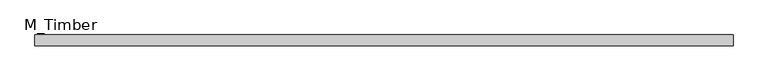
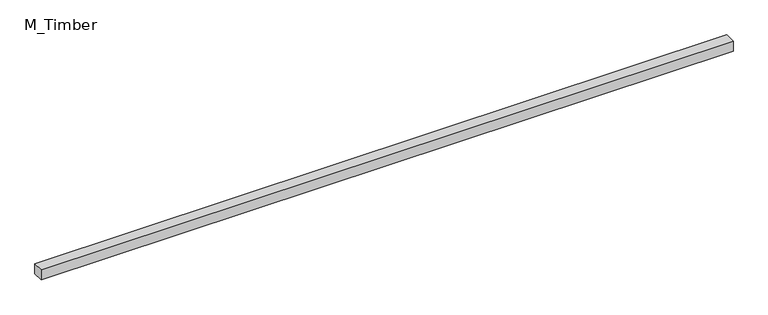
"""IFC4 building model written with IfcOpenShell, lengths in millimetres: beam geometry, M_Timber."""

import ifcopenshell
import ifcopenshell.guid

model = None  # the IFC model being written
_history = None  # IfcOwnerHistory: only IFC2X3 demands one
_inside = {}  # id of a spatial element -> (the spatial element, [elements in it])
_under = {}  # id of a project, library or spatial element -> (it, [spatial elements below it])
_declared = {}  # id of a project -> (the project, [libraries it declares])
_typed = {}  # id of a type object -> (the type object, [elements of that type])
_made_of = {}  # id of a material, layer set ... -> (it, [elements and type objects made of it])


def new_model(schema):
    """Start an empty IFC model of exactly this schema.

    Asked for "IFC4X3", IfcOpenShell would pick the latest addendum, in which some entities
    have other attributes; the version numbers below select the first issue.
    IFC2X3 requires an IfcOwnerHistory on every rooted entity: one is made here for all.
    """
    global model, _history
    if schema == "IFC4X3":
        model = ifcopenshell.file(schema_version=(4, 3, 0, 0))
    else:
        model = ifcopenshell.file(schema=schema)
    _inside.clear()
    _under.clear()
    _declared.clear()
    _typed.clear()
    _made_of.clear()
    _history = None
    if model.schema == "IFC2X3":
        org = make("IfcOrganization", Name="unknown")
        user = make(
            "IfcPersonAndOrganization",
            ThePerson=make("IfcPerson", FamilyName="unknown"),
            TheOrganization=org,
        )
        app = make(
            "IfcApplication",
            ApplicationDeveloper=org,
            Version="unknown",
            ApplicationFullName="unknown",
            ApplicationIdentifier="unknown",
        )
        _history = make(
            "IfcOwnerHistory",
            OwningUser=user,
            OwningApplication=app,
            ChangeAction="ADDED",
            CreationDate=0,
        )
    return model


def make(cls, **values):
    """One entity of the class cls with the attributes given. An attribute that is None is left unset."""
    return model.create_entity(
        cls, **{name: value for name, value in values.items() if value is not None}
    )


def rooted(cls, **values):
    """An entity with a GlobalId (a new one), such as an element, a storey or a relation."""
    return make(cls, GlobalId=ifcopenshell.guid.new(), OwnerHistory=_history, **values)


def si_unit(unit_type, name, prefix=None):
    """IfcSIUnit, for example si_unit("LENGTHUNIT", "METRE", prefix="MILLI")."""
    return make("IfcSIUnit", UnitType=unit_type, Prefix=prefix, Name=name)


def assignment(units):
    """IfcUnitAssignment: the units of a project."""
    return None if units is None else make("IfcUnitAssignment", Units=units)


def point(xyz):
    """IfcCartesianPoint."""
    return None if xyz is None else make("IfcCartesianPoint", Coordinates=xyz)


def direction(xyz):
    """IfcDirection."""
    return None if xyz is None else make("IfcDirection", DirectionRatios=xyz)


def frame(location, z_axis=None, x_axis=None):
    """IfcAxis2Placement3D, a coordinate frame: its origin and axes. An axis left out is left unset."""
    return make(
        "IfcAxis2Placement3D",
        Location=point(location),
        Axis=direction(z_axis),
        RefDirection=direction(x_axis),
    )


def origin():
    """The frame at (0, 0, 0) with its axes left unset."""
    return frame((0.0, 0.0, 0.0))


def place(relative_to, where):
    """IfcLocalPlacement: puts the frame where relative to a parent placement (None: the world)."""
    return make(
        "IfcLocalPlacement", PlacementRelTo=relative_to, RelativePlacement=where
    )


def context(
    kind, dimensions, precision=None, world=None, true_north=None, identifier=None
):
    """IfcGeometricRepresentationContext, for example the 3D "Model" context."""
    return make(
        "IfcGeometricRepresentationContext",
        ContextIdentifier=identifier,
        ContextType=kind,
        CoordinateSpaceDimension=dimensions,
        Precision=precision,
        WorldCoordinateSystem=world,
        TrueNorth=true_north,
    )


def project(units=None, contexts=None):
    """IfcProject with its units and contexts."""
    return rooted(
        "IfcProject",
        Name="project",
        RepresentationContexts=contexts,
        UnitsInContext=assignment(units),
    )


def spatial(cls, under=None, at=None, **own):
    """A site, building, storey or space (cls), placed at a placement, below another one or the project."""
    s = rooted(cls, ObjectPlacement=at, **own)
    if under is not None:
        _under.setdefault(under.id(), (under, []))[1].append(s)
    return s


def polyline(points):
    """IfcPolyline through the points."""
    return make("IfcPolyline", Points=[point(p) for p in points])


def outline(outer, holes=None, kind="AREA"):
    """IfcArbitraryClosedProfileDef: a profile drawn as a closed curve; with holes, ...WithVoids."""
    if holes is None:
        return make("IfcArbitraryClosedProfileDef", ProfileType=kind, OuterCurve=outer)
    return make(
        "IfcArbitraryProfileDefWithVoids",
        ProfileType=kind,
        OuterCurve=outer,
        InnerCurves=holes,
    )


def extrude(swept, where, along, depth):
    """IfcExtrudedAreaSolid: the profile swept, set in the frame where, extruded along a direction by depth."""
    return make(
        "IfcExtrudedAreaSolid",
        SweptArea=swept,
        Position=where,
        ExtrudedDirection=direction(along),
        Depth=depth,
    )


def shape(context_of_items, identifier, shape_type, items):
    """IfcShapeRepresentation: the items that make up one representation, for example the "Body"."""
    return make(
        "IfcShapeRepresentation",
        ContextOfItems=context_of_items,
        RepresentationIdentifier=identifier,
        RepresentationType=shape_type,
        Items=items,
    )


def source(mapping_origin, context_of_items, identifier, shape_type, items):
    """IfcRepresentationMap: a shape defined once, which mapped items show again and again."""
    return make(
        "IfcRepresentationMap",
        MappingOrigin=mapping_origin,
        MappedRepresentation=shape(context_of_items, identifier, shape_type, items),
    )


def transform(
    local_origin,
    x_axis=None,
    y_axis=None,
    z_axis=None,
    scale=None,
    scale2=None,
    scale3=None,
    uniform=True,
):
    """IfcCartesianTransformationOperator3D, or its non-uniform kind. x_axis, y_axis, z_axis: its Axis1, 2, 3."""
    if uniform:
        return make(
            "IfcCartesianTransformationOperator3D",
            Axis1=direction(x_axis),
            Axis2=direction(y_axis),
            LocalOrigin=point(local_origin),
            Scale=scale,
            Axis3=direction(z_axis),
        )
    return make(
        "IfcCartesianTransformationOperator3DnonUniform",
        Axis1=direction(x_axis),
        Axis2=direction(y_axis),
        LocalOrigin=point(local_origin),
        Scale=scale,
        Axis3=direction(z_axis),
        Scale2=scale2,
        Scale3=scale3,
    )


def mapped(mapping_source, mapping_target):
    """IfcMappedItem: shows the shape of a source again, moved by a transform."""
    return make(
        "IfcMappedItem", MappingSource=mapping_source, MappingTarget=mapping_target
    )


def made_of(thing, what):
    """Note that an element or type object is made of a material, layer set ...; save() writes the relation."""
    if what is not None:
        _made_of.setdefault(what.id(), (what, []))[1].append(thing)
    return thing


def element(
    cls,
    number,
    at=None,
    inside=None,
    cuts=None,
    type_object=None,
    material=None,
    context=None,
    identifier="Body",
    shape_type=None,
    held_by="IfcProductDefinitionShape",
    body=None,
    shapes=None,
    **own,
):
    """One element of the class cls, such as IfcWall. Its Tag is "e" and its number.

    at: its placement. inside: the storey or other place that contains it. cuts: it is an
    opening in that element (IfcRelVoidsElement). A single representation is given by context,
    identifier, shape_type and body (its items); several are given by shapes. held_by: the class
    of the entity that holds the representations. save() writes the other relations.
    """
    e = rooted(cls, Tag="e%d" % number, ObjectPlacement=at, **own)
    if body is not None:
        shapes = [shape(context, identifier, shape_type, body)]
    if shapes is not None:
        e.Representation = make(held_by, Representations=shapes)
    if inside is not None:
        _inside.setdefault(inside.id(), (inside, []))[1].append(e)
    if cuts is not None:
        rooted(
            "IfcRelVoidsElement", RelatingBuildingElement=cuts, RelatedOpeningElement=e
        )
    if type_object is not None:
        _typed.setdefault(type_object.id(), (type_object, []))[1].append(e)
    return made_of(e, material)


def aggregate(whole, parts):
    """IfcRelAggregates: a whole, such as a stair, and the parts it consists of."""
    return rooted("IfcRelAggregates", RelatingObject=whole, RelatedObjects=parts)


def save(model, path):
    """Write the relations noted so far, then the file.

    IfcRelAggregates (storeys below a building ...), IfcRelContainedInSpatialStructure (elements
    in a storey), IfcRelDefinesByType, IfcRelAssociatesMaterial and IfcRelDeclares: one each for
    every whole, place, type object, material and project.
    """
    for whole, parts in _under.values():
        aggregate(whole, parts)
    for where, things in _inside.values():
        rooted(
            "IfcRelContainedInSpatialStructure",
            RelatedElements=things,
            RelatingStructure=where,
        )
    for kind, things in _typed.values():
        rooted("IfcRelDefinesByType", RelatedObjects=things, RelatingType=kind)
    for what, things in _made_of.values():
        rooted("IfcRelAssociatesMaterial", RelatedObjects=things, RelatingMaterial=what)
    for by, libraries in _declared.values():
        rooted("IfcRelDeclares", RelatingContext=by, RelatedDefinitions=libraries)
    model.write(path)


def m_timber_f9276298(model_context):
    return source(origin(), model_context, "Body", "SweptSolid", [
        extrude(outline(polyline([(1289.3949576, 20.0), (1289.3949576, -20.0), (-1289.3949576, -20.0), (-1289.3949576, 20.0), (1289.3949576, 20.0)])), frame((0.0, 0.0, -20.0), z_axis=(0.0, 0.0, 1.0), x_axis=(1.0, 0.0, 0.0)), (0.0, 0.0, 1.0), 40.0),
    ])


if __name__ == "__main__":
    model = new_model("IFC4")
    model_context = context("Model", 3, world=origin())
    ifc_project = project(units=[si_unit("LENGTHUNIT", "METRE", prefix="MILLI")], contexts=[model_context])
    site = spatial("IfcSite", under=ifc_project)
    building = spatial("IfcBuilding", under=site)
    placement = place(None, origin())
    m_timber_shape = m_timber_f9276298(model_context)
    element("IfcBeam", 1, ObjectType="M_Timber", at=placement, inside=building, context=model_context, shape_type="MappedRepresentation", body=[
        mapped(m_timber_shape, transform((0.0, 0.0, 0.0), x_axis=(1.0, 0.0, 0.0), y_axis=(0.0, 1.0, 0.0), z_axis=(0.0, 0.0, 1.0))),
    ])
    save(model, "model.ifc")
